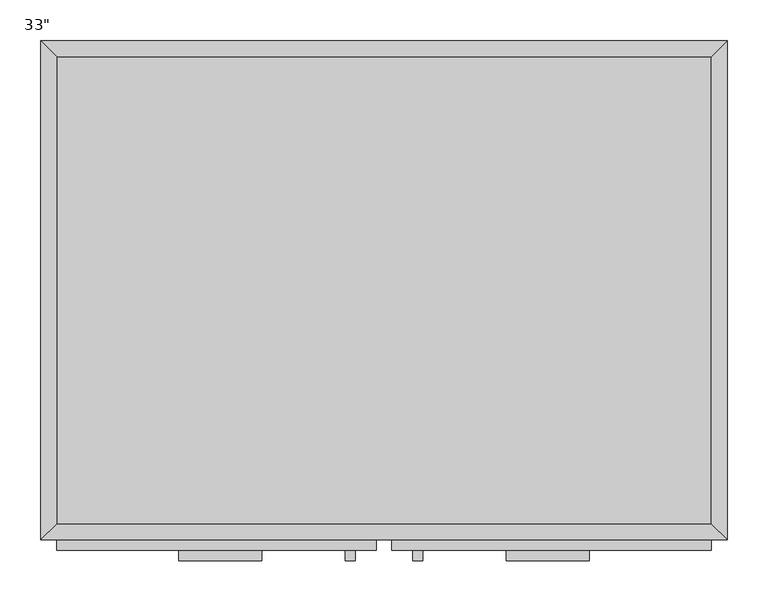
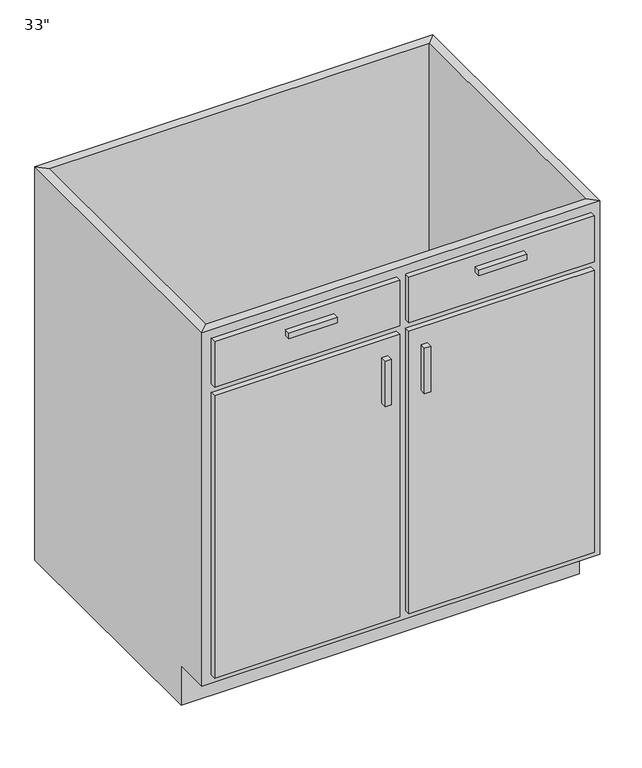
"""IFC4 building model written with IfcOpenShell, lengths in millimetres: furniture geometry."""

from ifc_helpers import new_model, si_unit, frame, origin, place, context, project, spatial, polyline, outline, extrude, faceted_brep, source, transform, mapped, element, save


def furniture_7de88fd5(model_context):
    return source(origin(), model_context, "Body", "SolidModel", [
        faceted_brep([(418.7877049, -590.55, 876.3), (418.7877049, -590.55, 88.9), (-381.3122951, -590.55, 88.9), (-381.3122951, -590.55, 876.3), (-400.3622951, -609.6, 876.3), (437.8377049, -609.6, 876.3), (-400.3622951, -609.6, 88.9), (437.8377049, -609.6, 88.9), (-381.3122951, -533.4, 88.9), (-381.3122951, -19.05, 88.9), (-381.3122951, -19.05, 876.3), (-400.3622951, 0.0, 876.3), (-400.3622951, 0.0, 0.0), (-400.3622951, -533.4, 0.0), (-400.3622951, -533.4, 88.9), (418.7877049, -19.05, 88.9), (418.7877049, -19.05, 876.3), (437.8377049, 0.0, 876.3), (437.8377049, 0.0, 0.0), (418.7877049, -533.4, 88.9), (437.8377049, -533.4, 88.9), (437.8377049, -533.4, 0.0)], [[[0, 1, 2, 3]], [[0, 3, 4, 5]], [[5, 4, 6, 7]], [[2, 1, 7, 6]], [[3, 2, 8, 9, 10]], [[4, 3, 10, 11]], [[6, 4, 11, 12, 13, 14]], [[2, 6, 14, 8]], [[10, 9, 15, 16]], [[11, 10, 16, 17]], [[12, 11, 17, 18]], [[1, 0, 16, 15, 19]], [[0, 5, 17, 16]], [[5, 7, 20, 21, 18, 17]], [[7, 1, 19, 20]], [[8, 19, 15, 9]], [[18, 21, 13, 12]], [[13, 21, 20, 19, 8, 14]]]),
        extrude(outline(polyline([(-130.4872951, -635.0), (-232.0872951, -635.0), (-232.0872951, -622.3), (-130.4872951, -622.3), (-130.4872951, -635.0)])), frame((0.0, 0.0, 819.15), z_axis=(0.0, 0.0, 1.0), x_axis=(1.0, 0.0, 0.0)), (0.0, 0.0, 1.0), 12.7),
        extrude(outline(polyline([(269.5627049, -635.0), (167.9627049, -635.0), (167.9627049, -622.3), (269.5627049, -622.3), (269.5627049, -635.0)])), frame((0.0, 0.0, 819.15), z_axis=(0.0, 0.0, 1.0), x_axis=(1.0, 0.0, 0.0)), (0.0, 0.0, 1.0), 12.7),
        extrude(outline(polyline([(-16.1872951, -635.0), (-28.8872951, -635.0), (-28.8872951, -622.3), (-16.1872951, -622.3), (-16.1872951, -635.0)])), frame((0.0, 0.0, 596.9), z_axis=(0.0, 0.0, 1.0), x_axis=(1.0, 0.0, 0.0)), (0.0, 0.0, 1.0), 101.6),
        extrude(outline(polyline([(66.3627049, -635.0), (53.6627049, -635.0), (53.6627049, -622.3), (66.3627049, -622.3), (66.3627049, -635.0)])), frame((0.0, 0.0, 596.9), z_axis=(0.0, 0.0, 1.0), x_axis=(1.0, 0.0, 0.0)), (0.0, 0.0, 1.0), 101.6),
        extrude(outline(polyline([(418.7877049, -19.05), (418.7877049, -590.55), (-381.3122951, -590.55), (-381.3122951, -19.05), (418.7877049, -19.05)])), frame((0.0, 0.0, 88.9), z_axis=(0.0, 0.0, 1.0), x_axis=(1.0, 0.0, 0.0)), (0.0, 0.0, 1.0), 19.05),
        extrude(outline(polyline([(9.2127049, -622.3), (-381.3122951, -622.3), (-381.3122951, -609.6), (9.2127049, -609.6), (9.2127049, -622.3)])), frame((0.0, 0.0, 755.65), z_axis=(0.0, 0.0, 1.0), x_axis=(1.0, 0.0, 0.0)), (0.0, 0.0, 1.0), 101.6),
        extrude(outline(polyline([(418.7877049, -622.3), (28.2627049, -622.3), (28.2627049, -609.6), (418.7877049, -609.6), (418.7877049, -622.3)])), frame((0.0, 0.0, 755.65), z_axis=(0.0, 0.0, 1.0), x_axis=(1.0, 0.0, 0.0)), (0.0, 0.0, 1.0), 101.6),
        extrude(outline(polyline([(9.2127049, -622.3), (-381.3122951, -622.3), (-381.3122951, -609.6), (9.2127049, -609.6), (9.2127049, -622.3)])), frame((0.0, 0.0, 107.95), z_axis=(0.0, 0.0, 1.0), x_axis=(1.0, 0.0, 0.0)), (0.0, 0.0, 1.0), 628.65),
        extrude(outline(polyline([(418.7877049, -622.3), (28.2627049, -622.3), (28.2627049, -609.6), (418.7877049, -609.6), (418.7877049, -622.3)])), frame((0.0, 0.0, 107.95), z_axis=(0.0, 0.0, 1.0), x_axis=(1.0, 0.0, 0.0)), (0.0, 0.0, 1.0), 628.65),
    ])


if __name__ == "__main__":
    model = new_model("IFC4")
    model_context = context("Model", 3, world=origin())
    ifc_project = project(units=[si_unit("LENGTHUNIT", "METRE", prefix="MILLI")], contexts=[model_context])
    site = spatial("IfcSite", under=ifc_project)
    building = spatial("IfcBuilding", under=site)
    placement = place(None, origin())
    furniture_shape = furniture_7de88fd5(model_context)
    element("IfcFurniture", 1, ObjectType="33\"", at=placement, inside=building, context=model_context, shape_type="MappedRepresentation", body=[
        mapped(furniture_shape, transform((0.0, 0.0, 0.0), x_axis=(1.0, 0.0, 0.0), y_axis=(0.0, 1.0, 0.0), z_axis=(0.0, 0.0, 1.0))),
    ])
    save(model, "model.ifc")
